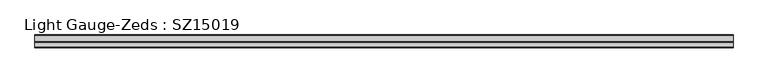
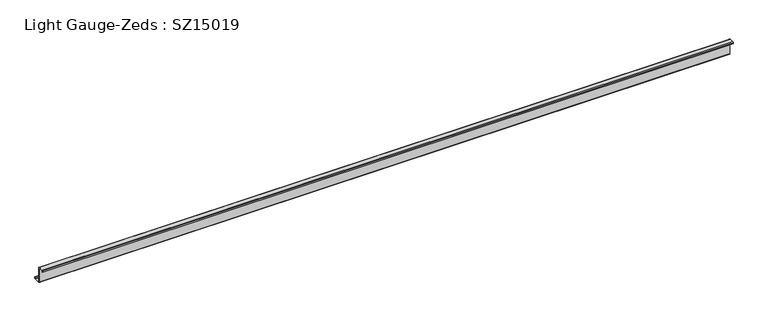
"""IFC4 building model written with IfcOpenShell, lengths in millimetres: beam geometry, Light Gauge-Zeds : SZ15019."""

from ifc_helpers import new_model, si_unit, point, frame, frame_2d, origin, place, context, project, spatial, polyline, circle_curve, trimmed, segment, composite_curve, outline, extrude, source, transform, mapped, element, save


def light_gauge_zeds_sz15019_ca99cb3c(model_context):
    return source(origin(), model_context, "Body", "SweptSolid", [
        extrude(outline(composite_curve([segment(polyline([(0.0, -72.1), (0.0, 72.1)]), True, "CONTINUOUS"), segment(trimmed(circle_curve(frame_2d((-2.0, 72.1)), 2.0), [point((0.0, 72.1))], [point((-2.0, 74.1))], True, "CARTESIAN"), True, "CONTINUOUS"), segment(polyline([(-2.0, 74.1), (-46.6, 74.1)]), True, "CONTINUOUS"), segment(trimmed(circle_curve(frame_2d((-46.6, 72.1)), 2.0), [point((-46.6, 74.1))], [point((-48.6, 72.1))], True, "CARTESIAN"), True, "CONTINUOUS"), segment(polyline([(-48.6, 72.1), (-48.6, 58.0), (-50.5, 58.0), (-50.5, 72.1)]), True, "CONTINUOUS"), segment(trimmed(circle_curve(frame_2d((-46.6, 72.1)), 3.9), [point((-50.5, 72.1))], [point((-46.6, 76.0))], False, "CARTESIAN"), True, "CONTINUOUS"), segment(polyline([(-46.6, 76.0), (-2.0, 76.0)]), True, "CONTINUOUS"), segment(trimmed(circle_curve(frame_2d((-2.0, 72.1)), 3.9), [point((-2.0, 76.0))], [point((1.9, 72.1))], False, "CARTESIAN"), True, "CONTINUOUS"), segment(polyline([(1.9, 72.1), (1.9, -72.1)]), True, "CONTINUOUS"), segment(trimmed(circle_curve(frame_2d((3.9, -72.1)), 2.0), [point((1.9, -72.1))], [point((3.9, -74.1))], True, "CARTESIAN"), True, "CONTINUOUS"), segment(polyline([(3.9, -74.1), (63.6, -74.1)]), True, "CONTINUOUS"), segment(trimmed(circle_curve(frame_2d((63.6, -72.1)), 2.0), [point((63.6, -74.1))], [point((65.6, -72.1))], True, "CARTESIAN"), True, "CONTINUOUS"), segment(polyline([(65.6, -72.1), (65.6, -57.0), (67.5, -57.0), (67.5, -72.1)]), True, "CONTINUOUS"), segment(trimmed(circle_curve(frame_2d((63.6, -72.1)), 3.9), [point((67.5, -72.1))], [point((63.6, -76.0))], False, "CARTESIAN"), True, "CONTINUOUS"), segment(polyline([(63.6, -76.0), (3.9, -76.0)]), True, "CONTINUOUS"), segment(trimmed(circle_curve(frame_2d((3.9, -72.1)), 3.9), [point((3.9, -76.0))], [point((0.0, -72.1))], False, "CARTESIAN"), True, "CONTINUOUS")], self_intersect=False)), frame((-3234.5, 0.0, 0.0), z_axis=(1.0, 0.0, 0.0), x_axis=(0.0, 1.0, 0.0)), (0.0, 0.0, 1.0), 6482.0),
    ])


if __name__ == "__main__":
    model = new_model("IFC4")
    model_context = context("Model", 3, world=origin())
    ifc_project = project(units=[si_unit("LENGTHUNIT", "METRE", prefix="MILLI")], contexts=[model_context])
    site = spatial("IfcSite", under=ifc_project)
    building = spatial("IfcBuilding", under=site)
    placement = place(None, origin())
    light_gauge_zeds_sz15019_shape = light_gauge_zeds_sz15019_ca99cb3c(model_context)
    element("IfcBeam", 1, ObjectType="Light Gauge-Zeds : SZ15019", at=placement, inside=building, context=model_context, shape_type="MappedRepresentation", body=[
        mapped(light_gauge_zeds_sz15019_shape, transform((0.0, 0.0, 0.0), x_axis=(1.0, 0.0, 0.0), y_axis=(0.0, 1.0, 0.0), z_axis=(0.0, 0.0, 1.0))),
    ])
    save(model, "model.ifc")
